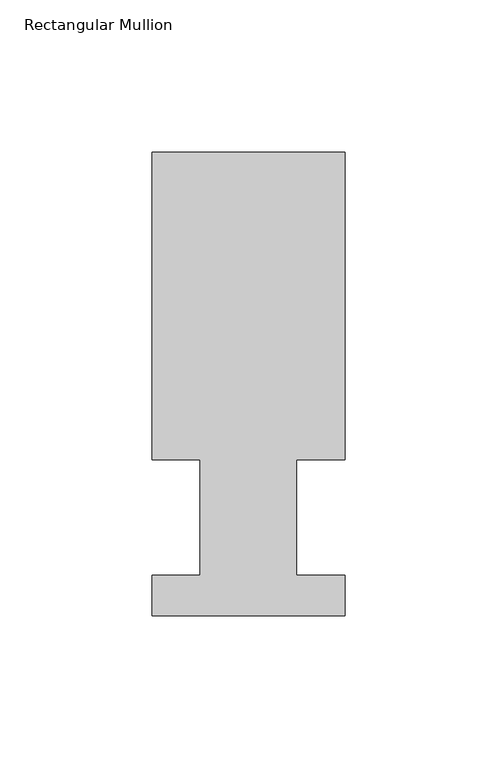
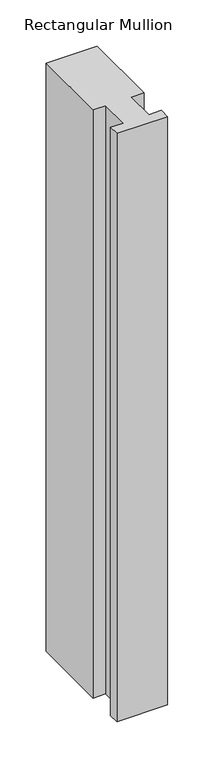
"""IFC4 building model written with IfcOpenShell, lengths in millimetres: member geometry, Rectangular Mullion."""

from ifc_helpers import new_model, si_unit, frame, origin, place, context, project, spatial, polyline, outline, extrude, source, transform, mapped, element, save


def rectangular_mullion_86dbece2(model_context):
    return source(origin(), model_context, "Body", "SweptSolid", [
        extrude(outline(polyline([(-31.75, 152.4896938), (31.75, 152.4896938), (31.75, 51.2960937), (15.875, 51.2960937), (15.875, 13.1960938), (31.75, 13.1960938), (31.75, 0.0134938), (-31.75, 0.0134938), (-31.75, 13.1960938), (-15.875, 13.1960938), (-15.875, 51.2960937), (-31.75, 51.2960937), (-31.75, 152.4896938)])), frame((0.0, 0.0, -774.7), z_axis=(0.0, 0.0, 1.0), x_axis=(1.0, 0.0, 0.0)), (0.0, 0.0, 1.0), 774.7),
    ])


if __name__ == "__main__":
    model = new_model("IFC4")
    model_context = context("Model", 3, world=origin())
    ifc_project = project(units=[si_unit("LENGTHUNIT", "METRE", prefix="MILLI")], contexts=[model_context])
    site = spatial("IfcSite", under=ifc_project)
    building = spatial("IfcBuilding", under=site)
    placement = place(None, origin())
    rectangular_mullion_shape = rectangular_mullion_86dbece2(model_context)
    element("IfcMember", 1, ObjectType="Rectangular Mullion", at=placement, inside=building, context=model_context, shape_type="MappedRepresentation", body=[
        mapped(rectangular_mullion_shape, transform((0.0, 0.0, 0.0), x_axis=(1.0, 0.0, 0.0), y_axis=(0.0, 1.0, 0.0), z_axis=(0.0, 0.0, 1.0))),
    ])
    save(model, "model.ifc")
